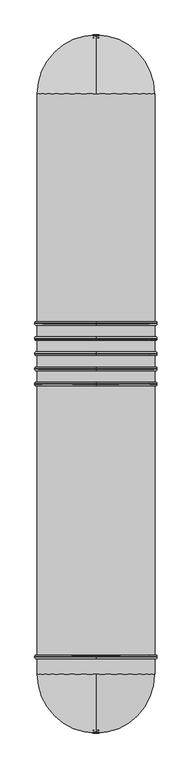
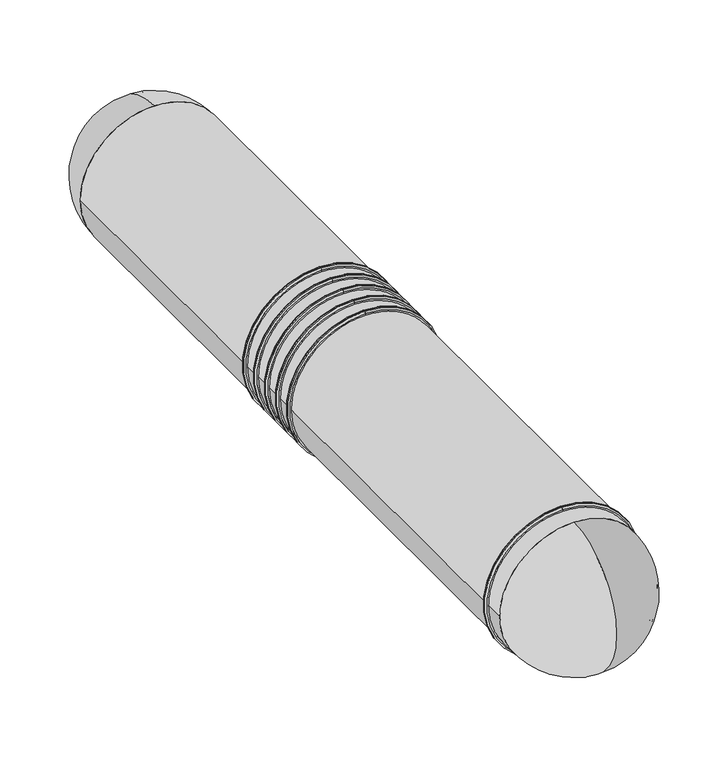
"""IFC4 building model written with IfcOpenShell, lengths in millimetres: proxy geometry."""

from ifc_helpers import new_model, si_unit, point, frame, frame_2d, origin, place, context, project, spatial, polyline, circle_curve, ellipse_curve, trimmed, segment, composite_curve, outline, extrude, source, transform, mapped, element, save
from ifc_brep_helpers import plane_surface, cylinder_surface, revolved_surface, advanced_brep


def generic_models_a64bc221(model_context):
    return source(origin(), model_context, "Body", "SolidModel", [
        advanced_brep(
        [(0.0, -3964.5, -5694.0), (0.0, -3964.5, -3306.0), (0.0, -3964.5, -3331.0), (0.0, -3964.5, -5669.0), (0.0, -4034.5, -3331.0), (0.0, -4034.5, -5669.0), (0.0, -4034.5, -3306.0), (0.0, -4034.5, -5694.0), (0.0, -3989.5, -5719.0), (0.0, -3989.5, -3281.0), (0.0, -4009.5, -5719.0), (0.0, -4009.5, -3281.0)],
        [
            (0, 1, circle_curve(frame((0.0, -3964.5, -4500.0), z_axis=(0.0, 1.0, 0.0), x_axis=(0.0, 0.0, 1.0)), 1194.0)),
            (1, 2),
            (2, 3, circle_curve(frame((0.0, -3964.5, -4500.0), z_axis=(0.0, -1.0, 0.0), x_axis=(0.0, 0.0, 1.0)), 1169.0)),
            (3, 0),
            (2, 4),
            (4, 5, circle_curve(frame((0.0, -4034.5, -4500.0), z_axis=(0.0, -1.0, 0.0), x_axis=(0.0, 0.0, 1.0)), 1169.0)),
            (5, 3),
            (4, 6),
            (6, 7, circle_curve(frame((0.0, -4034.5, -4500.0), z_axis=(0.0, -1.0, 0.0), x_axis=(0.0, 0.0, 1.0)), 1194.0)),
            (7, 5),
            (4, 5, circle_curve(frame((0.0, -4034.5, -4500.0), z_axis=(0.0, 1.0, 0.0), x_axis=(0.0, 0.0, 1.0)), 1169.0)),
            (7, 6, circle_curve(frame((0.0, -4034.5, -4500.0), z_axis=(0.0, -1.0, 0.0), x_axis=(0.0, 0.0, 1.0)), 1194.0)),
            (2, 3, circle_curve(frame((0.0, -3964.5, -4500.0), z_axis=(0.0, 1.0, 0.0), x_axis=(0.0, 0.0, 1.0)), 1169.0)),
            (1, 0, circle_curve(frame((0.0, -3964.5, -4500.0), z_axis=(0.0, 1.0, 0.0), x_axis=(0.0, 0.0, 1.0)), 1194.0)),
            (8, 9, circle_curve(frame((0.0, -3989.5, -4500.0), z_axis=(0.0, 1.0, 0.0), x_axis=(0.0, 0.0, 1.0)), 1219.0)),
            (9, 1, circle_curve(frame((0.0, -3989.5, -3306.0), z_axis=(-1.0, 0.0, 0.0), x_axis=(0.0, 1.0, 0.0)), 25.0)),
            (0, 8, circle_curve(frame((0.0, -3989.5, -5694.0), z_axis=(-1.0, 0.0, 0.0), x_axis=(0.0, 1.0, 0.0)), 25.0)),
            (9, 8, circle_curve(frame((0.0, -3989.5, -4500.0), z_axis=(0.0, 1.0, 0.0), x_axis=(0.0, 0.0, 1.0)), 1219.0)),
            (10, 11, circle_curve(frame((0.0, -4009.5, -4500.0), z_axis=(0.0, 1.0, 0.0), x_axis=(0.0, 0.0, 1.0)), 1219.0)),
            (11, 9),
            (8, 10),
            (11, 10, circle_curve(frame((0.0, -4009.5, -4500.0), z_axis=(0.0, 1.0, 0.0), x_axis=(0.0, 0.0, 1.0)), 1219.0)),
            (6, 11, circle_curve(frame((0.0, -4009.5, -3306.0), z_axis=(-1.0, 0.0, 0.0), x_axis=(0.0, 1.0, 0.0)), 25.0)),
            (10, 7, circle_curve(frame((0.0, -4009.5, -5694.0), z_axis=(-1.0, 0.0, 0.0), x_axis=(0.0, 1.0, 0.0)), 25.0)),
        ],
        [
            plane_surface(frame((0.0, -3964.5, -4500.0), z_axis=(0.0, 1.0, 0.0), x_axis=(0.0, 0.0, 1.0))),
            revolved_surface(polyline([(0.0, -4034.5, -3331.0), (0.0, -3964.5, -3331.0)]), (0.0, -3854.5, -4500.0), (0.0, -1.0, 0.0)),
            plane_surface(frame((0.0, -4034.5, -4500.0), z_axis=(0.0, -1.0, 0.0), x_axis=(0.0, 0.0, 1.0))),
            revolved_surface(trimmed(ellipse_curve(frame((0.0, -3989.5, -3306.0), z_axis=(1.0, 0.0, 0.0), x_axis=(0.0, 1.0, 0.0)), 25.0, 25.0), [point((0.0, -3964.5, -3306.0))], [point((0.0, -3989.5, -3281.0))], True, "CARTESIAN"), (0.0, -3854.5, -4500.0), (0.0, -1.0, 0.0)),
            cylinder_surface(frame((0.0, -3854.5, -4500.0), z_axis=(0.0, -1.0, 0.0), x_axis=(0.0, 0.0, 1.0)), 1219.0),
            revolved_surface(trimmed(ellipse_curve(frame((0.0, -4009.5, -3306.0), z_axis=(1.0, 0.0, 0.0), x_axis=(0.0, 1.0, 0.0)), 25.0, 25.0), [point((0.0, -4009.5, -3281.0))], [point((0.0, -4034.5, -3306.0))], True, "CARTESIAN"), (0.0, -3854.5, -4500.0), (0.0, -1.0, 0.0)),
        ],
        [
            (0, [[1, 2, 3, 4]]),
            (1, [[-3, 5, 6, 7]]),
            (2, [[-6, 8, 9, 10]]),
            (2, [[11, -10, 12, -8]]),
            (1, [[13, -7, -11, -5]]),
            (0, [[14, -4, -13, -2]]),
            (3, [[15, 16, -1, 17]]),
            (3, [[18, -17, -14, -16]]),
            (4, [[19, 20, -15, 21]]),
            (4, [[22, -21, -18, -20]]),
            (5, [[-9, 23, -19, 24]]),
            (5, [[-12, -24, -22, -23]]),
        ],
    ),
        advanced_brep(
        [(0.0, -4264.5, -5694.0), (0.0, -4264.5, -3306.0), (0.0, -4264.5, -3331.0), (0.0, -4264.5, -5669.0), (0.0, -4334.5, -3331.0), (0.0, -4334.5, -5669.0), (0.0, -4334.5, -3306.0), (0.0, -4334.5, -5694.0), (0.0, -4289.5, -5719.0), (0.0, -4289.5, -3281.0), (0.0, -4309.5, -5719.0), (0.0, -4309.5, -3281.0)],
        [
            (0, 1, circle_curve(frame((0.0, -4264.5, -4500.0), z_axis=(0.0, 1.0, 0.0), x_axis=(0.0, 0.0, 1.0)), 1194.0)),
            (1, 2),
            (2, 3, circle_curve(frame((0.0, -4264.5, -4500.0), z_axis=(0.0, -1.0, 0.0), x_axis=(0.0, 0.0, 1.0)), 1169.0)),
            (3, 0),
            (2, 4),
            (4, 5, circle_curve(frame((0.0, -4334.5, -4500.0), z_axis=(0.0, -1.0, 0.0), x_axis=(0.0, 0.0, 1.0)), 1169.0)),
            (5, 3),
            (4, 6),
            (6, 7, circle_curve(frame((0.0, -4334.5, -4500.0), z_axis=(0.0, -1.0, 0.0), x_axis=(0.0, 0.0, 1.0)), 1194.0)),
            (7, 5),
            (4, 5, circle_curve(frame((0.0, -4334.5, -4500.0), z_axis=(0.0, 1.0, 0.0), x_axis=(0.0, 0.0, 1.0)), 1169.0)),
            (7, 6, circle_curve(frame((0.0, -4334.5, -4500.0), z_axis=(0.0, -1.0, 0.0), x_axis=(0.0, 0.0, 1.0)), 1194.0)),
            (2, 3, circle_curve(frame((0.0, -4264.5, -4500.0), z_axis=(0.0, 1.0, 0.0), x_axis=(0.0, 0.0, 1.0)), 1169.0)),
            (1, 0, circle_curve(frame((0.0, -4264.5, -4500.0), z_axis=(0.0, 1.0, 0.0), x_axis=(0.0, 0.0, 1.0)), 1194.0)),
            (8, 9, circle_curve(frame((0.0, -4289.5, -4500.0), z_axis=(0.0, 1.0, 0.0), x_axis=(0.0, 0.0, 1.0)), 1219.0)),
            (9, 1, circle_curve(frame((0.0, -4289.5, -3306.0), z_axis=(-1.0, 0.0, 0.0), x_axis=(0.0, 1.0, 0.0)), 25.0)),
            (0, 8, circle_curve(frame((0.0, -4289.5, -5694.0), z_axis=(-1.0, 0.0, 0.0), x_axis=(0.0, 1.0, 0.0)), 25.0)),
            (9, 8, circle_curve(frame((0.0, -4289.5, -4500.0), z_axis=(0.0, 1.0, 0.0), x_axis=(0.0, 0.0, 1.0)), 1219.0)),
            (10, 11, circle_curve(frame((0.0, -4309.5, -4500.0), z_axis=(0.0, 1.0, 0.0), x_axis=(0.0, 0.0, 1.0)), 1219.0)),
            (11, 9),
            (8, 10),
            (11, 10, circle_curve(frame((0.0, -4309.5, -4500.0), z_axis=(0.0, 1.0, 0.0), x_axis=(0.0, 0.0, 1.0)), 1219.0)),
            (6, 11, circle_curve(frame((0.0, -4309.5, -3306.0), z_axis=(-1.0, 0.0, 0.0), x_axis=(0.0, 1.0, 0.0)), 25.0)),
            (10, 7, circle_curve(frame((0.0, -4309.5, -5694.0), z_axis=(-1.0, 0.0, 0.0), x_axis=(0.0, 1.0, 0.0)), 25.0)),
        ],
        [
            plane_surface(frame((0.0, -4264.5, -4500.0), z_axis=(0.0, 1.0, 0.0), x_axis=(0.0, 0.0, 1.0))),
            revolved_surface(polyline([(0.0, -4334.5, -3331.0), (0.0, -4264.5, -3331.0)]), (0.0, -4154.5, -4500.0), (0.0, -1.0, 0.0)),
            plane_surface(frame((0.0, -4334.5, -4500.0), z_axis=(0.0, -1.0, 0.0), x_axis=(0.0, 0.0, 1.0))),
            revolved_surface(trimmed(ellipse_curve(frame((0.0, -4289.5, -3306.0), z_axis=(1.0, 0.0, 0.0), x_axis=(0.0, 1.0, 0.0)), 25.0, 25.0), [point((0.0, -4264.5, -3306.0))], [point((0.0, -4289.5, -3281.0))], True, "CARTESIAN"), (0.0, -4154.5, -4500.0), (0.0, -1.0, 0.0)),
            cylinder_surface(frame((0.0, -4154.5, -4500.0), z_axis=(0.0, -1.0, 0.0), x_axis=(0.0, 0.0, 1.0)), 1219.0),
            revolved_surface(trimmed(ellipse_curve(frame((0.0, -4309.5, -3306.0), z_axis=(1.0, 0.0, 0.0), x_axis=(0.0, 1.0, 0.0)), 25.0, 25.0), [point((0.0, -4309.5, -3281.0))], [point((0.0, -4334.5, -3306.0))], True, "CARTESIAN"), (0.0, -4154.5, -4500.0), (0.0, -1.0, 0.0)),
        ],
        [
            (0, [[1, 2, 3, 4]]),
            (1, [[-3, 5, 6, 7]]),
            (2, [[-6, 8, 9, 10]]),
            (2, [[11, -10, 12, -8]]),
            (1, [[13, -7, -11, -5]]),
            (0, [[14, -4, -13, -2]]),
            (3, [[15, 16, -1, 17]]),
            (3, [[18, -17, -14, -16]]),
            (4, [[19, 20, -15, 21]]),
            (4, [[22, -21, -18, -20]]),
            (5, [[-9, 23, -19, 24]]),
            (5, [[-12, -24, -22, -23]]),
        ],
    ),
        advanced_brep(
        [(0.0, -4564.5, -5694.0), (0.0, -4564.5, -3306.0), (0.0, -4564.5, -3331.0), (0.0, -4564.5, -5669.0), (0.0, -4634.5, -3331.0), (0.0, -4634.5, -5669.0), (0.0, -4634.5, -3306.0), (0.0, -4634.5, -5694.0), (0.0, -4589.5, -5719.0), (0.0, -4589.5, -3281.0), (0.0, -4609.5, -5719.0), (0.0, -4609.5, -3281.0)],
        [
            (0, 1, circle_curve(frame((0.0, -4564.5, -4500.0), z_axis=(0.0, 1.0, 0.0), x_axis=(0.0, 0.0, 1.0)), 1194.0)),
            (1, 2),
            (2, 3, circle_curve(frame((0.0, -4564.5, -4500.0), z_axis=(0.0, -1.0, 0.0), x_axis=(0.0, 0.0, 1.0)), 1169.0)),
            (3, 0),
            (2, 4),
            (4, 5, circle_curve(frame((0.0, -4634.5, -4500.0), z_axis=(0.0, -1.0, 0.0), x_axis=(0.0, 0.0, 1.0)), 1169.0)),
            (5, 3),
            (4, 6),
            (6, 7, circle_curve(frame((0.0, -4634.5, -4500.0), z_axis=(0.0, -1.0, 0.0), x_axis=(0.0, 0.0, 1.0)), 1194.0)),
            (7, 5),
            (4, 5, circle_curve(frame((0.0, -4634.5, -4500.0), z_axis=(0.0, 1.0, 0.0), x_axis=(0.0, 0.0, 1.0)), 1169.0)),
            (7, 6, circle_curve(frame((0.0, -4634.5, -4500.0), z_axis=(0.0, -1.0, 0.0), x_axis=(0.0, 0.0, 1.0)), 1194.0)),
            (2, 3, circle_curve(frame((0.0, -4564.5, -4500.0), z_axis=(0.0, 1.0, 0.0), x_axis=(0.0, 0.0, 1.0)), 1169.0)),
            (1, 0, circle_curve(frame((0.0, -4564.5, -4500.0), z_axis=(0.0, 1.0, 0.0), x_axis=(0.0, 0.0, 1.0)), 1194.0)),
            (8, 9, circle_curve(frame((0.0, -4589.5, -4500.0), z_axis=(0.0, 1.0, 0.0), x_axis=(0.0, 0.0, 1.0)), 1219.0)),
            (9, 1, circle_curve(frame((0.0, -4589.5, -3306.0), z_axis=(-1.0, 0.0, 0.0), x_axis=(0.0, 1.0, 0.0)), 25.0)),
            (0, 8, circle_curve(frame((0.0, -4589.5, -5694.0), z_axis=(-1.0, 0.0, 0.0), x_axis=(0.0, 1.0, 0.0)), 25.0)),
            (9, 8, circle_curve(frame((0.0, -4589.5, -4500.0), z_axis=(0.0, 1.0, 0.0), x_axis=(0.0, 0.0, 1.0)), 1219.0)),
            (10, 11, circle_curve(frame((0.0, -4609.5, -4500.0), z_axis=(0.0, 1.0, 0.0), x_axis=(0.0, 0.0, 1.0)), 1219.0)),
            (11, 9),
            (8, 10),
            (11, 10, circle_curve(frame((0.0, -4609.5, -4500.0), z_axis=(0.0, 1.0, 0.0), x_axis=(0.0, 0.0, 1.0)), 1219.0)),
            (6, 11, circle_curve(frame((0.0, -4609.5, -3306.0), z_axis=(-1.0, 0.0, 0.0), x_axis=(0.0, 1.0, 0.0)), 25.0)),
            (10, 7, circle_curve(frame((0.0, -4609.5, -5694.0), z_axis=(-1.0, 0.0, 0.0), x_axis=(0.0, 1.0, 0.0)), 25.0)),
        ],
        [
            plane_surface(frame((0.0, -4564.5, -4500.0), z_axis=(0.0, 1.0, 0.0), x_axis=(0.0, 0.0, 1.0))),
            revolved_surface(polyline([(0.0, -4634.5, -3331.0), (0.0, -4564.5, -3331.0)]), (0.0, -4454.5, -4500.0), (0.0, -1.0, 0.0)),
            plane_surface(frame((0.0, -4634.5, -4500.0), z_axis=(0.0, -1.0, 0.0), x_axis=(0.0, 0.0, 1.0))),
            revolved_surface(trimmed(ellipse_curve(frame((0.0, -4589.5, -3306.0), z_axis=(1.0, 0.0, 0.0), x_axis=(0.0, 1.0, 0.0)), 25.0, 25.0), [point((0.0, -4564.5, -3306.0))], [point((0.0, -4589.5, -3281.0))], True, "CARTESIAN"), (0.0, -4454.5, -4500.0), (0.0, -1.0, 0.0)),
            cylinder_surface(frame((0.0, -4454.5, -4500.0), z_axis=(0.0, -1.0, 0.0), x_axis=(0.0, 0.0, 1.0)), 1219.0),
            revolved_surface(trimmed(ellipse_curve(frame((0.0, -4609.5, -3306.0), z_axis=(1.0, 0.0, 0.0), x_axis=(0.0, 1.0, 0.0)), 25.0, 25.0), [point((0.0, -4609.5, -3281.0))], [point((0.0, -4634.5, -3306.0))], True, "CARTESIAN"), (0.0, -4454.5, -4500.0), (0.0, -1.0, 0.0)),
        ],
        [
            (0, [[1, 2, 3, 4]]),
            (1, [[-3, 5, 6, 7]]),
            (2, [[-6, 8, 9, 10]]),
            (2, [[11, -10, 12, -8]]),
            (1, [[13, -7, -11, -5]]),
            (0, [[14, -4, -13, -2]]),
            (3, [[15, 16, -1, 17]]),
            (3, [[18, -17, -14, -16]]),
            (4, [[19, 20, -15, 21]]),
            (4, [[22, -21, -18, -20]]),
            (5, [[-9, 23, -19, 24]]),
            (5, [[-12, -24, -22, -23]]),
        ],
    ),
        advanced_brep(
        [(0.0, -4864.5, -5694.0), (0.0, -4864.5, -3306.0), (0.0, -4864.5, -3331.0), (0.0, -4864.5, -5669.0), (0.0, -4934.5, -3331.0), (0.0, -4934.5, -5669.0), (0.0, -4934.5, -3306.0), (0.0, -4934.5, -5694.0), (0.0, -4889.5, -5719.0), (0.0, -4889.5, -3281.0), (0.0, -4909.5, -5719.0), (0.0, -4909.5, -3281.0)],
        [
            (0, 1, circle_curve(frame((0.0, -4864.5, -4500.0), z_axis=(0.0, 1.0, 0.0), x_axis=(0.0, 0.0, 1.0)), 1194.0)),
            (1, 2),
            (2, 3, circle_curve(frame((0.0, -4864.5, -4500.0), z_axis=(0.0, -1.0, 0.0), x_axis=(0.0, 0.0, 1.0)), 1169.0)),
            (3, 0),
            (2, 4),
            (4, 5, circle_curve(frame((0.0, -4934.5, -4500.0), z_axis=(0.0, -1.0, 0.0), x_axis=(0.0, 0.0, 1.0)), 1169.0)),
            (5, 3),
            (4, 6),
            (6, 7, circle_curve(frame((0.0, -4934.5, -4500.0), z_axis=(0.0, -1.0, 0.0), x_axis=(0.0, 0.0, 1.0)), 1194.0)),
            (7, 5),
            (4, 5, circle_curve(frame((0.0, -4934.5, -4500.0), z_axis=(0.0, 1.0, 0.0), x_axis=(0.0, 0.0, 1.0)), 1169.0)),
            (7, 6, circle_curve(frame((0.0, -4934.5, -4500.0), z_axis=(0.0, -1.0, 0.0), x_axis=(0.0, 0.0, 1.0)), 1194.0)),
            (2, 3, circle_curve(frame((0.0, -4864.5, -4500.0), z_axis=(0.0, 1.0, 0.0), x_axis=(0.0, 0.0, 1.0)), 1169.0)),
            (1, 0, circle_curve(frame((0.0, -4864.5, -4500.0), z_axis=(0.0, 1.0, 0.0), x_axis=(0.0, 0.0, 1.0)), 1194.0)),
            (8, 9, circle_curve(frame((0.0, -4889.5, -4500.0), z_axis=(0.0, 1.0, 0.0), x_axis=(0.0, 0.0, 1.0)), 1219.0)),
            (9, 1, circle_curve(frame((0.0, -4889.5, -3306.0), z_axis=(-1.0, 0.0, 0.0), x_axis=(0.0, 1.0, 0.0)), 25.0)),
            (0, 8, circle_curve(frame((0.0, -4889.5, -5694.0), z_axis=(-1.0, 0.0, 0.0), x_axis=(0.0, 1.0, 0.0)), 25.0)),
            (9, 8, circle_curve(frame((0.0, -4889.5, -4500.0), z_axis=(0.0, 1.0, 0.0), x_axis=(0.0, 0.0, 1.0)), 1219.0)),
            (10, 11, circle_curve(frame((0.0, -4909.5, -4500.0), z_axis=(0.0, 1.0, 0.0), x_axis=(0.0, 0.0, 1.0)), 1219.0)),
            (11, 9),
            (8, 10),
            (11, 10, circle_curve(frame((0.0, -4909.5, -4500.0), z_axis=(0.0, 1.0, 0.0), x_axis=(0.0, 0.0, 1.0)), 1219.0)),
            (6, 11, circle_curve(frame((0.0, -4909.5, -3306.0), z_axis=(-1.0, 0.0, 0.0), x_axis=(0.0, 1.0, 0.0)), 25.0)),
            (10, 7, circle_curve(frame((0.0, -4909.5, -5694.0), z_axis=(-1.0, 0.0, 0.0), x_axis=(0.0, 1.0, 0.0)), 25.0)),
        ],
        [
            plane_surface(frame((0.0, -4864.5, -4500.0), z_axis=(0.0, 1.0, 0.0), x_axis=(0.0, 0.0, 1.0))),
            revolved_surface(polyline([(0.0, -4934.5, -3331.0), (0.0, -4864.5, -3331.0)]), (0.0, -4754.5, -4500.0), (0.0, -1.0, 0.0)),
            plane_surface(frame((0.0, -4934.5, -4500.0), z_axis=(0.0, -1.0, 0.0), x_axis=(0.0, 0.0, 1.0))),
            revolved_surface(trimmed(ellipse_curve(frame((0.0, -4889.5, -3306.0), z_axis=(1.0, 0.0, 0.0), x_axis=(0.0, 1.0, 0.0)), 25.0, 25.0), [point((0.0, -4864.5, -3306.0))], [point((0.0, -4889.5, -3281.0))], True, "CARTESIAN"), (0.0, -4754.5, -4500.0), (0.0, -1.0, 0.0)),
            cylinder_surface(frame((0.0, -4754.5, -4500.0), z_axis=(0.0, -1.0, 0.0), x_axis=(0.0, 0.0, 1.0)), 1219.0),
            revolved_surface(trimmed(ellipse_curve(frame((0.0, -4909.5, -3306.0), z_axis=(1.0, 0.0, 0.0), x_axis=(0.0, 1.0, 0.0)), 25.0, 25.0), [point((0.0, -4909.5, -3281.0))], [point((0.0, -4934.5, -3306.0))], True, "CARTESIAN"), (0.0, -4754.5, -4500.0), (0.0, -1.0, 0.0)),
        ],
        [
            (0, [[1, 2, 3, 4]]),
            (1, [[-3, 5, 6, 7]]),
            (2, [[-6, 8, 9, 10]]),
            (2, [[11, -10, 12, -8]]),
            (1, [[13, -7, -11, -5]]),
            (0, [[14, -4, -13, -2]]),
            (3, [[15, 16, -1, 17]]),
            (3, [[18, -17, -14, -16]]),
            (4, [[19, 20, -15, 21]]),
            (4, [[22, -21, -18, -20]]),
            (5, [[-9, 23, -19, 24]]),
            (5, [[-12, -24, -22, -23]]),
        ],
    ),
        advanced_brep(
        [(0.0, -10939.0, -5649.0), (0.0, -10939.0, -3351.0), (0.0, -12088.0, -4500.0), (0.0, -10939.0, -5669.0), (0.0, -10939.0, -3331.0), (0.0, -12108.0, -4500.0)],
        [
            (0, 1, circle_curve(frame((0.0, -10939.0, -4500.0), z_axis=(0.0, 1.0, 0.0), x_axis=(0.0, 0.0, 1.0)), 1149.0)),
            (1, 2, circle_curve(frame((0.0, -10939.0, -4500.0), z_axis=(1.0, 0.0, 0.0), x_axis=(0.0, 1.0, 0.0)), 1149.0)),
            (2, 0, circle_curve(frame((0.0, -10939.0, -4500.0), z_axis=(1.0, 0.0, 0.0), x_axis=(0.0, 1.0, 0.0)), 1149.0)),
            (1, 0, circle_curve(frame((0.0, -10939.0, -4500.0), z_axis=(0.0, 1.0, 0.0), x_axis=(0.0, 0.0, 1.0)), 1149.0)),
            (3, 4, circle_curve(frame((0.0, -10939.0, -4500.0), z_axis=(0.0, 1.0, 0.0), x_axis=(0.0, 0.0, 1.0)), 1169.0)),
            (4, 1),
            (0, 3),
            (4, 3, circle_curve(frame((0.0, -10939.0, -4500.0), z_axis=(0.0, 1.0, 0.0), x_axis=(0.0, 0.0, 1.0)), 1169.0)),
            (5, 4, circle_curve(frame((0.0, -10939.0, -4500.0), z_axis=(-1.0, 0.0, 0.0), x_axis=(0.0, 1.0, 0.0)), 1169.0)),
            (3, 5, circle_curve(frame((0.0, -10939.0, -4500.0), z_axis=(-1.0, 0.0, 0.0), x_axis=(0.0, 1.0, 0.0)), 1169.0)),
        ],
        [
            revolved_surface(trimmed(ellipse_curve(frame((0.0, -10939.0, -4500.0), z_axis=(-1.0, 0.0, 0.0), x_axis=(0.0, 1.0, 0.0)), 1149.0, 1149.0), [point((0.0, -12088.0, -4500.0))], [point((0.0, -10939.0, -3351.0))], True, "CARTESIAN"), (0.0, -10939.0, -4500.0), (0.0, -1.0, 0.0)),
            plane_surface(frame((0.0, -10939.0, -4500.0), z_axis=(0.0, 1.0, 0.0), x_axis=(0.0, 0.0, 1.0))),
            revolved_surface(trimmed(ellipse_curve(frame((0.0, -10939.0, -4500.0), z_axis=(1.0, 0.0, 0.0), x_axis=(0.0, 1.0, 0.0)), 1169.0, 1169.0), [point((0.0, -10939.0, -3331.0))], [point((0.0, -12108.0, -4500.0))], True, "CARTESIAN"), (0.0, -10939.0, -4500.0), (0.0, -1.0, 0.0)),
        ],
        [
            (0, [[1, 2, 3]]),
            (0, [[4, -3, -2]]),
            (1, [[5, 6, -1, 7]]),
            (1, [[8, -7, -4, -6]]),
            (2, [[9, -5, 10]]),
            (2, [[-10, -8, -9]]),
        ],
    ),
        advanced_brep(
        [(0.0, -10939.0, -5609.0), (0.0, -10939.0, -3391.0), (0.0, -12048.0, -4500.0), (0.0, -10939.0, -5629.0), (0.0, -10939.0, -3371.0), (0.0, -12068.0, -4500.0)],
        [
            (0, 1, circle_curve(frame((0.0, -10939.0, -4500.0), z_axis=(0.0, 1.0, 0.0), x_axis=(0.0, 0.0, 1.0)), 1109.0)),
            (1, 2, circle_curve(frame((0.0, -10939.0, -4500.0), z_axis=(1.0, 0.0, 0.0), x_axis=(0.0, 1.0, 0.0)), 1109.0)),
            (2, 0, circle_curve(frame((0.0, -10939.0, -4500.0), z_axis=(1.0, 0.0, 0.0), x_axis=(0.0, 1.0, 0.0)), 1109.0)),
            (1, 0, circle_curve(frame((0.0, -10939.0, -4500.0), z_axis=(0.0, 1.0, 0.0), x_axis=(0.0, 0.0, 1.0)), 1109.0)),
            (3, 4, circle_curve(frame((0.0, -10939.0, -4500.0), z_axis=(0.0, 1.0, 0.0), x_axis=(0.0, 0.0, 1.0)), 1129.0)),
            (4, 1),
            (0, 3),
            (4, 3, circle_curve(frame((0.0, -10939.0, -4500.0), z_axis=(0.0, 1.0, 0.0), x_axis=(0.0, 0.0, 1.0)), 1129.0)),
            (5, 4, circle_curve(frame((0.0, -10939.0, -4500.0), z_axis=(-1.0, 0.0, 0.0), x_axis=(0.0, 1.0, 0.0)), 1129.0)),
            (3, 5, circle_curve(frame((0.0, -10939.0, -4500.0), z_axis=(-1.0, 0.0, 0.0), x_axis=(0.0, 1.0, 0.0)), 1129.0)),
        ],
        [
            revolved_surface(trimmed(ellipse_curve(frame((0.0, -10939.0, -4500.0), z_axis=(-1.0, 0.0, 0.0), x_axis=(0.0, 1.0, 0.0)), 1109.0, 1109.0), [point((0.0, -12048.0, -4500.0))], [point((0.0, -10939.0, -3391.0))], True, "CARTESIAN"), (0.0, -10939.0, -4500.0), (0.0, -1.0, 0.0)),
            plane_surface(frame((0.0, -10939.0, -4500.0), z_axis=(0.0, 1.0, 0.0), x_axis=(0.0, 0.0, 1.0))),
            revolved_surface(trimmed(ellipse_curve(frame((0.0, -10939.0, -4500.0), z_axis=(1.0, 0.0, 0.0), x_axis=(0.0, 1.0, 0.0)), 1129.0, 1129.0), [point((0.0, -10939.0, -3371.0))], [point((0.0, -12068.0, -4500.0))], True, "CARTESIAN"), (0.0, -10939.0, -4500.0), (0.0, -1.0, 0.0)),
        ],
        [
            (0, [[1, 2, 3]]),
            (0, [[4, -3, -2]]),
            (1, [[5, 6, -1, 7]]),
            (1, [[8, -7, -4, -6]]),
            (2, [[9, -5, 10]]),
            (2, [[-10, -8, -9]]),
        ],
    ),
        advanced_brep(
        [(0.0, -5164.5, -5694.0), (0.0, -5164.5, -3306.0), (0.0, -5164.5, -3331.0), (0.0, -5164.5, -5669.0), (0.0, -5234.5, -3331.0), (0.0, -5234.5, -5669.0), (0.0, -5234.5, -3306.0), (0.0, -5234.5, -5694.0), (0.0, -5189.5, -5719.0), (0.0, -5189.5, -3281.0), (0.0, -5209.5, -5719.0), (0.0, -5209.5, -3281.0)],
        [
            (0, 1, circle_curve(frame((0.0, -5164.5, -4500.0), z_axis=(0.0, 1.0, 0.0), x_axis=(0.0, 0.0, 1.0)), 1194.0)),
            (1, 2),
            (2, 3, circle_curve(frame((0.0, -5164.5, -4500.0), z_axis=(0.0, -1.0, 0.0), x_axis=(0.0, 0.0, 1.0)), 1169.0)),
            (3, 0),
            (2, 4),
            (4, 5, circle_curve(frame((0.0, -5234.5, -4500.0), z_axis=(0.0, -1.0, 0.0), x_axis=(0.0, 0.0, 1.0)), 1169.0)),
            (5, 3),
            (4, 6),
            (6, 7, circle_curve(frame((0.0, -5234.5, -4500.0), z_axis=(0.0, -1.0, 0.0), x_axis=(0.0, 0.0, 1.0)), 1194.0)),
            (7, 5),
            (4, 5, circle_curve(frame((0.0, -5234.5, -4500.0), z_axis=(0.0, 1.0, 0.0), x_axis=(0.0, 0.0, 1.0)), 1169.0)),
            (7, 6, circle_curve(frame((0.0, -5234.5, -4500.0), z_axis=(0.0, -1.0, 0.0), x_axis=(0.0, 0.0, 1.0)), 1194.0)),
            (2, 3, circle_curve(frame((0.0, -5164.5, -4500.0), z_axis=(0.0, 1.0, 0.0), x_axis=(0.0, 0.0, 1.0)), 1169.0)),
            (1, 0, circle_curve(frame((0.0, -5164.5, -4500.0), z_axis=(0.0, 1.0, 0.0), x_axis=(0.0, 0.0, 1.0)), 1194.0)),
            (8, 9, circle_curve(frame((0.0, -5189.5, -4500.0), z_axis=(0.0, 1.0, 0.0), x_axis=(0.0, 0.0, 1.0)), 1219.0)),
            (9, 1, circle_curve(frame((0.0, -5189.5, -3306.0), z_axis=(-1.0, 0.0, 0.0), x_axis=(0.0, 1.0, 0.0)), 25.0)),
            (0, 8, circle_curve(frame((0.0, -5189.5, -5694.0), z_axis=(-1.0, 0.0, 0.0), x_axis=(0.0, 1.0, 0.0)), 25.0)),
            (9, 8, circle_curve(frame((0.0, -5189.5, -4500.0), z_axis=(0.0, 1.0, 0.0), x_axis=(0.0, 0.0, 1.0)), 1219.0)),
            (10, 11, circle_curve(frame((0.0, -5209.5, -4500.0), z_axis=(0.0, 1.0, 0.0), x_axis=(0.0, 0.0, 1.0)), 1219.0)),
            (11, 9),
            (8, 10),
            (11, 10, circle_curve(frame((0.0, -5209.5, -4500.0), z_axis=(0.0, 1.0, 0.0), x_axis=(0.0, 0.0, 1.0)), 1219.0)),
            (6, 11, circle_curve(frame((0.0, -5209.5, -3306.0), z_axis=(-1.0, 0.0, 0.0), x_axis=(0.0, 1.0, 0.0)), 25.0)),
            (10, 7, circle_curve(frame((0.0, -5209.5, -5694.0), z_axis=(-1.0, 0.0, 0.0), x_axis=(0.0, 1.0, 0.0)), 25.0)),
        ],
        [
            plane_surface(frame((0.0, -5164.5, -4500.0), z_axis=(0.0, 1.0, 0.0), x_axis=(0.0, 0.0, 1.0))),
            revolved_surface(polyline([(0.0, -5234.5, -3331.0), (0.0, -5164.5, -3331.0)]), (0.0, -5054.5, -4500.0), (0.0, -1.0, 0.0)),
            plane_surface(frame((0.0, -5234.5, -4500.0), z_axis=(0.0, -1.0, 0.0), x_axis=(0.0, 0.0, 1.0))),
            revolved_surface(trimmed(ellipse_curve(frame((0.0, -5189.5, -3306.0), z_axis=(1.0, 0.0, 0.0), x_axis=(0.0, 1.0, 0.0)), 25.0, 25.0), [point((0.0, -5164.5, -3306.0))], [point((0.0, -5189.5, -3281.0))], True, "CARTESIAN"), (0.0, -5054.5, -4500.0), (0.0, -1.0, 0.0)),
            cylinder_surface(frame((0.0, -5054.5, -4500.0), z_axis=(0.0, -1.0, 0.0), x_axis=(0.0, 0.0, 1.0)), 1219.0),
            revolved_surface(trimmed(ellipse_curve(frame((0.0, -5209.5, -3306.0), z_axis=(1.0, 0.0, 0.0), x_axis=(0.0, 1.0, 0.0)), 25.0, 25.0), [point((0.0, -5209.5, -3281.0))], [point((0.0, -5234.5, -3306.0))], True, "CARTESIAN"), (0.0, -5054.5, -4500.0), (0.0, -1.0, 0.0)),
        ],
        [
            (0, [[1, 2, 3, 4]]),
            (1, [[-3, 5, 6, 7]]),
            (2, [[-6, 8, 9, 10]]),
            (2, [[11, -10, 12, -8]]),
            (1, [[13, -7, -11, -5]]),
            (0, [[14, -4, -13, -2]]),
            (3, [[15, 16, -1, 17]]),
            (3, [[18, -17, -14, -16]]),
            (4, [[19, 20, -15, 21]]),
            (4, [[22, -21, -18, -20]]),
            (5, [[-9, 23, -19, 24]]),
            (5, [[-12, -24, -22, -23]]),
        ],
    ),
        advanced_brep(
        [(0.0, -10634.5, -5669.0), (0.0, -10634.5, -3331.0), (0.0, -10634.5, -3306.0), (0.0, -10634.5, -5694.0), (0.0, -10564.5, -5669.0), (0.0, -10564.5, -3331.0), (0.0, -10564.5, -5694.0), (0.0, -10564.5, -3306.0), (0.0, -10609.5, -3281.0), (0.0, -10609.5, -5719.0), (0.0, -10589.5, -3281.0), (0.0, -10589.5, -5719.0)],
        [
            (0, 1, circle_curve(frame((0.0, -10634.5, -4500.0), z_axis=(0.0, 1.0, 0.0), x_axis=(0.0, 0.0, 1.0)), 1169.0)),
            (1, 2),
            (2, 3, circle_curve(frame((0.0, -10634.5, -4500.0), z_axis=(0.0, -1.0, 0.0), x_axis=(0.0, 0.0, 1.0)), 1194.0)),
            (3, 0),
            (4, 5, circle_curve(frame((0.0, -10564.5, -4500.0), z_axis=(0.0, 1.0, 0.0), x_axis=(0.0, 0.0, 1.0)), 1169.0)),
            (5, 1),
            (0, 4),
            (6, 7, circle_curve(frame((0.0, -10564.5, -4500.0), z_axis=(0.0, 1.0, 0.0), x_axis=(0.0, 0.0, 1.0)), 1194.0)),
            (7, 5),
            (4, 6),
            (7, 6, circle_curve(frame((0.0, -10564.5, -4500.0), z_axis=(0.0, 1.0, 0.0), x_axis=(0.0, 0.0, 1.0)), 1194.0)),
            (4, 5, circle_curve(frame((0.0, -10564.5, -4500.0), z_axis=(0.0, -1.0, 0.0), x_axis=(0.0, 0.0, 1.0)), 1169.0)),
            (0, 1, circle_curve(frame((0.0, -10634.5, -4500.0), z_axis=(0.0, -1.0, 0.0), x_axis=(0.0, 0.0, 1.0)), 1169.0)),
            (3, 2, circle_curve(frame((0.0, -10634.5, -4500.0), z_axis=(0.0, -1.0, 0.0), x_axis=(0.0, 0.0, 1.0)), 1194.0)),
            (2, 8, circle_curve(frame((0.0, -10609.5, -3306.0), z_axis=(-1.0, 0.0, 0.0), x_axis=(0.0, -1.0, 0.0)), 25.0)),
            (8, 9, circle_curve(frame((0.0, -10609.5, -4500.0), z_axis=(0.0, -1.0, 0.0), x_axis=(0.0, 0.0, 1.0)), 1219.0)),
            (9, 3, circle_curve(frame((0.0, -10609.5, -5694.0), z_axis=(-1.0, 0.0, 0.0), x_axis=(0.0, -1.0, 0.0)), 25.0)),
            (9, 8, circle_curve(frame((0.0, -10609.5, -4500.0), z_axis=(0.0, -1.0, 0.0), x_axis=(0.0, 0.0, 1.0)), 1219.0)),
            (8, 10),
            (10, 11, circle_curve(frame((0.0, -10589.5, -4500.0), z_axis=(0.0, -1.0, 0.0), x_axis=(0.0, 0.0, 1.0)), 1219.0)),
            (11, 9),
            (11, 10, circle_curve(frame((0.0, -10589.5, -4500.0), z_axis=(0.0, -1.0, 0.0), x_axis=(0.0, 0.0, 1.0)), 1219.0)),
            (10, 7, circle_curve(frame((0.0, -10589.5, -3306.0), z_axis=(-1.0, 0.0, 0.0), x_axis=(0.0, -1.0, 0.0)), 25.0)),
            (6, 11, circle_curve(frame((0.0, -10589.5, -5694.0), z_axis=(-1.0, 0.0, 0.0), x_axis=(0.0, -1.0, 0.0)), 25.0)),
        ],
        [
            plane_surface(frame((0.0, -10634.5, -4500.0), z_axis=(0.0, -1.0, 0.0), x_axis=(0.0, 0.0, 1.0))),
            revolved_surface(polyline([(0.0, -10634.5, -3331.0), (0.0, -10564.5, -3331.0)]), (0.0, -10744.5, -4500.0), (0.0, -1.0, 0.0)),
            plane_surface(frame((0.0, -10564.5, -4500.0), z_axis=(0.0, 1.0, 0.0), x_axis=(0.0, 0.0, 1.0))),
            revolved_surface(trimmed(ellipse_curve(frame((0.0, -10609.5, -3306.0), z_axis=(1.0, 0.0, 0.0), x_axis=(0.0, -1.0, 0.0)), 25.0, 25.0), [point((0.0, -10609.5, -3281.0))], [point((0.0, -10634.5, -3306.0))], True, "CARTESIAN"), (0.0, -10744.5, -4500.0), (0.0, -1.0, 0.0)),
            cylinder_surface(frame((0.0, -10744.5, -4500.0), z_axis=(0.0, -1.0, 0.0), x_axis=(0.0, 0.0, 1.0)), 1219.0),
            revolved_surface(trimmed(ellipse_curve(frame((0.0, -10589.5, -3306.0), z_axis=(1.0, 0.0, 0.0), x_axis=(0.0, -1.0, 0.0)), 25.0, 25.0), [point((0.0, -10564.5, -3306.0))], [point((0.0, -10589.5, -3281.0))], True, "CARTESIAN"), (0.0, -10744.5, -4500.0), (0.0, -1.0, 0.0)),
        ],
        [
            (0, [[1, 2, 3, 4]]),
            (1, [[5, 6, -1, 7]]),
            (2, [[8, 9, -5, 10]]),
            (2, [[11, -10, 12, -9]]),
            (1, [[-12, -7, 13, -6]]),
            (0, [[-13, -4, 14, -2]]),
            (3, [[-3, 15, 16, 17]]),
            (3, [[-14, -17, 18, -15]]),
            (4, [[-16, 19, 20, 21]]),
            (4, [[-18, -21, 22, -19]]),
            (5, [[-20, 23, -8, 24]]),
            (5, [[-22, -24, -11, -23]]),
        ],
    ),
        advanced_brep(
        [(0.0, 1689.0, -4500.0), (0.0, 540.0, -3351.0), (0.0, 540.0, -5649.0), (0.0, 540.0, -3331.0), (0.0, 540.0, -5669.0), (0.0, 1709.0, -4500.0)],
        [
            (0, 1, circle_curve(frame((0.0, 540.0, -4500.0), z_axis=(1.0, 0.0, 0.0), x_axis=(0.0, -1.0, 0.0)), 1149.0)),
            (1, 2, circle_curve(frame((0.0, 540.0, -4500.0), z_axis=(0.0, -1.0, 0.0), x_axis=(0.0, 0.0, 1.0)), 1149.0)),
            (2, 0, circle_curve(frame((0.0, 540.0, -4500.0), z_axis=(1.0, 0.0, 0.0), x_axis=(0.0, -1.0, 0.0)), 1149.0)),
            (2, 1, circle_curve(frame((0.0, 540.0, -4500.0), z_axis=(0.0, -1.0, 0.0), x_axis=(0.0, 0.0, 1.0)), 1149.0)),
            (1, 3),
            (3, 4, circle_curve(frame((0.0, 540.0, -4500.0), z_axis=(0.0, -1.0, 0.0), x_axis=(0.0, 0.0, 1.0)), 1169.0)),
            (4, 2),
            (4, 3, circle_curve(frame((0.0, 540.0, -4500.0), z_axis=(0.0, -1.0, 0.0), x_axis=(0.0, 0.0, 1.0)), 1169.0)),
            (3, 5, circle_curve(frame((0.0, 540.0, -4500.0), z_axis=(-1.0, 0.0, 0.0), x_axis=(0.0, -1.0, 0.0)), 1169.0)),
            (5, 4, circle_curve(frame((0.0, 540.0, -4500.0), z_axis=(-1.0, 0.0, 0.0), x_axis=(0.0, -1.0, 0.0)), 1169.0)),
        ],
        [
            revolved_surface(trimmed(ellipse_curve(frame((0.0, 540.0, -4500.0), z_axis=(-1.0, 0.0, 0.0), x_axis=(0.0, -1.0, 0.0)), 1149.0, 1149.0), [point((0.0, 540.0, -3351.0))], [point((0.0, 1689.0, -4500.0))], True, "CARTESIAN"), (0.0, 540.0, -4500.0), (0.0, -1.0, 0.0)),
            plane_surface(frame((0.0, 540.0, -4500.0), z_axis=(0.0, -1.0, 0.0), x_axis=(0.0, 0.0, 1.0))),
            revolved_surface(trimmed(ellipse_curve(frame((0.0, 540.0, -4500.0), z_axis=(1.0, 0.0, 0.0), x_axis=(0.0, -1.0, 0.0)), 1169.0, 1169.0), [point((0.0, 1709.0, -4500.0))], [point((0.0, 540.0, -3331.0))], True, "CARTESIAN"), (0.0, 540.0, -4500.0), (0.0, -1.0, 0.0)),
        ],
        [
            (0, [[1, 2, 3]]),
            (0, [[-3, 4, -1]]),
            (1, [[-2, 5, 6, 7]]),
            (1, [[-4, -7, 8, -5]]),
            (2, [[-6, 9, 10]]),
            (2, [[-8, -10, -9]]),
        ],
    ),
        advanced_brep(
        [(0.0, 1649.0, -4500.0), (0.0, 540.0, -3391.0), (0.0, 540.0, -5609.0), (0.0, 540.0, -3371.0), (0.0, 540.0, -5629.0), (0.0, 1669.0, -4500.0)],
        [
            (0, 1, circle_curve(frame((0.0, 540.0, -4500.0), z_axis=(1.0, 0.0, 0.0), x_axis=(0.0, -1.0, 0.0)), 1109.0)),
            (1, 2, circle_curve(frame((0.0, 540.0, -4500.0), z_axis=(0.0, -1.0, 0.0), x_axis=(0.0, 0.0, 1.0)), 1109.0)),
            (2, 0, circle_curve(frame((0.0, 540.0, -4500.0), z_axis=(1.0, 0.0, 0.0), x_axis=(0.0, -1.0, 0.0)), 1109.0)),
            (2, 1, circle_curve(frame((0.0, 540.0, -4500.0), z_axis=(0.0, -1.0, 0.0), x_axis=(0.0, 0.0, 1.0)), 1109.0)),
            (1, 3),
            (3, 4, circle_curve(frame((0.0, 540.0, -4500.0), z_axis=(0.0, -1.0, 0.0), x_axis=(0.0, 0.0, 1.0)), 1129.0)),
            (4, 2),
            (4, 3, circle_curve(frame((0.0, 540.0, -4500.0), z_axis=(0.0, -1.0, 0.0), x_axis=(0.0, 0.0, 1.0)), 1129.0)),
            (3, 5, circle_curve(frame((0.0, 540.0, -4500.0), z_axis=(-1.0, 0.0, 0.0), x_axis=(0.0, -1.0, 0.0)), 1129.0)),
            (5, 4, circle_curve(frame((0.0, 540.0, -4500.0), z_axis=(-1.0, 0.0, 0.0), x_axis=(0.0, -1.0, 0.0)), 1129.0)),
        ],
        [
            revolved_surface(trimmed(ellipse_curve(frame((0.0, 540.0, -4500.0), z_axis=(-1.0, 0.0, 0.0), x_axis=(0.0, -1.0, 0.0)), 1109.0, 1109.0), [point((0.0, 540.0, -3391.0))], [point((0.0, 1649.0, -4500.0))], True, "CARTESIAN"), (0.0, 540.0, -4500.0), (0.0, -1.0, 0.0)),
            plane_surface(frame((0.0, 540.0, -4500.0), z_axis=(0.0, -1.0, 0.0), x_axis=(0.0, 0.0, 1.0))),
            revolved_surface(trimmed(ellipse_curve(frame((0.0, 540.0, -4500.0), z_axis=(1.0, 0.0, 0.0), x_axis=(0.0, -1.0, 0.0)), 1129.0, 1129.0), [point((0.0, 1669.0, -4500.0))], [point((0.0, 540.0, -3371.0))], True, "CARTESIAN"), (0.0, 540.0, -4500.0), (0.0, -1.0, 0.0)),
        ],
        [
            (0, [[1, 2, 3]]),
            (0, [[-3, 4, -1]]),
            (1, [[-2, 5, 6, 7]]),
            (1, [[-4, -7, 8, -5]]),
            (2, [[-6, 9, 10]]),
            (2, [[-8, -10, -9]]),
        ],
    ),
        extrude(outline(composite_curve([segment(trimmed(circle_curve(frame_2d((-4500.0, 0.0)), 1169.0), [point((-4500.0, -1169.0))], [point((-4500.0, 1169.0))], False, "CARTESIAN"), True, "CONTINUOUS"), segment(trimmed(circle_curve(frame_2d((-4500.0, 0.0)), 1169.0), [point((-4500.0, 1169.0))], [point((-4500.0, -1169.0))], False, "CARTESIAN"), True, "CONTINUOUS")], self_intersect=False), holes=[composite_curve([segment(trimmed(circle_curve(frame_2d((-4500.0, 0.0)), 1149.0), [point((-4500.0, -1149.0))], [point((-4500.0, 1149.0))], True, "CARTESIAN"), True, "CONTINUOUS"), segment(trimmed(circle_curve(frame_2d((-4500.0, 0.0)), 1149.0), [point((-4500.0, 1149.0))], [point((-4500.0, -1149.0))], True, "CARTESIAN"), True, "CONTINUOUS")], self_intersect=False)]), frame((0.0, -10939.0, 0.0), z_axis=(0.0, 1.0, 0.0), x_axis=(0.0, 0.0, 1.0)), (0.0, 0.0, 1.0), 11479.0),
        extrude(outline(composite_curve([segment(trimmed(circle_curve(frame_2d((-4500.0, 0.0)), 1129.0), [point((-4500.0, -1129.0))], [point((-4500.0, 1129.0))], False, "CARTESIAN"), True, "CONTINUOUS"), segment(trimmed(circle_curve(frame_2d((-4500.0, 0.0)), 1129.0), [point((-4500.0, 1129.0))], [point((-4500.0, -1129.0))], False, "CARTESIAN"), True, "CONTINUOUS")], self_intersect=False), holes=[composite_curve([segment(trimmed(circle_curve(frame_2d((-4500.0, 0.0)), 1109.0), [point((-4500.0, -1109.0))], [point((-4500.0, 1109.0))], True, "CARTESIAN"), True, "CONTINUOUS"), segment(trimmed(circle_curve(frame_2d((-4500.0, 0.0)), 1109.0), [point((-4500.0, 1109.0))], [point((-4500.0, -1109.0))], True, "CARTESIAN"), True, "CONTINUOUS")], self_intersect=False)]), frame((0.0, -10939.0, 0.0), z_axis=(0.0, 1.0, 0.0), x_axis=(0.0, 0.0, 1.0)), (0.0, 0.0, 1.0), 11479.0),
    ])


if __name__ == "__main__":
    model = new_model("IFC4")
    model_context = context("Model", 3, world=origin())
    ifc_project = project(units=[si_unit("LENGTHUNIT", "METRE", prefix="MILLI")], contexts=[model_context])
    site = spatial("IfcSite", under=ifc_project)
    building = spatial("IfcBuilding", under=site)
    placement = place(None, origin())
    generic_models_shape = generic_models_a64bc221(model_context)
    element("IfcBuildingElementProxy", 1, Name="Generic Models", at=placement, inside=building, context=model_context, shape_type="MappedRepresentation", body=[
        mapped(generic_models_shape, transform((0.0, 0.0, 0.0), x_axis=(1.0, 0.0, 0.0), y_axis=(0.0, 1.0, 0.0), z_axis=(0.0, 0.0, 1.0))),
    ])
    save(model, "model.ifc")
